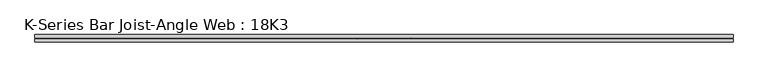
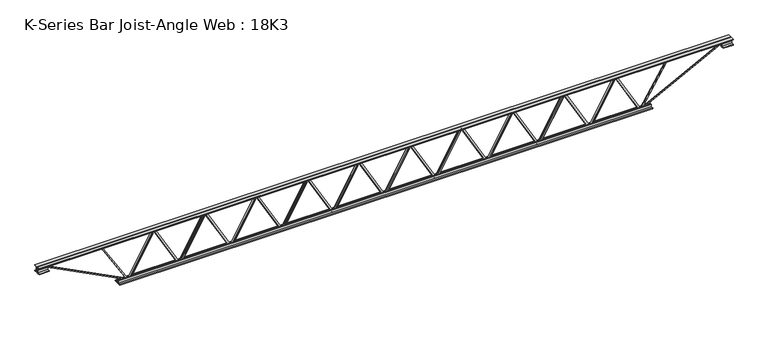
"""IFC4 building model written with IfcOpenShell, lengths in millimetres: beam geometry, K-Series Bar Joist-Angle Web : 18K3."""

from ifc_helpers import new_model, si_unit, frame, origin, place, context, project, spatial, polyline, outline, extrude, faceted_brep, source, transform, mapped, element, save


def k_series_bar_joist_angle_web_18k3_c18dfa82(model_context):
    return source(origin(), model_context, "Body", "SolidModel", [
        extrude(outline(polyline([(-4.7625, 4.7625), (-4.7625, 0.0), (-17.4625, 0.0), (-17.4625, 4.7625), (-4.7625, 4.7625)])), frame((2038.9543107, 0.0, -190.5), z_axis=(-0.49534766984193024, 0.0, 0.8686948175177346), x_axis=(0.0, -1.0, 0.0)), (0.0, 0.0, 1.0), 438.58901),
        extrude(outline(polyline([(-225.425, 2070.7526389), (-206.375, 2070.7526389), (-206.375, 2069.936013), (225.425, 1823.714763), (225.425, 1805.4813889), (206.375, 1805.4813889), (206.375, 1812.6480147), (-225.425, 2058.8692647), (-225.425, 2070.7526389)])), frame((0.0, 0.0, 0.0), z_axis=(0.0, 1.0, 0.0), x_axis=(0.0, 0.0, 1.0)), (0.0, 0.0, 1.0), 4.7625),
        faceted_brep([(1552.9101389, 0.0, -206.375), (1552.9101389, 0.0, -225.425), (1552.9101389, -4.7625, -225.425), (1552.9101389, -4.7625, -206.375), (1553.7267647, 0.0, -206.375), (1799.9480147, 0.0, 225.425), (1818.1813889, 0.0, 225.425), (1818.1813889, 0.0, 206.375), (1811.014763, 0.0, 206.375), (1564.793513, 0.0, -225.425), (1564.793513, -4.7625, -225.425), (1584.7084671, -4.7625, -190.5), (1580.571308, -4.7625, -188.1409067), (1797.8253521, -4.7625, 192.8590933), (1801.9625112, -4.7625, 190.5), (1811.014763, -4.7625, 206.375), (1818.1813889, -4.7625, 206.375), (1818.1813889, -4.7625, 225.425), (1799.9480147, -4.7625, 225.425), (1553.7267647, -4.7625, -206.375), (1801.9625112, -17.4625, 190.5), (1584.7084671, -17.4625, -190.5), (1580.571308, -17.4625, -188.1409067), (1797.8253521, -17.4625, 192.8590933)], [[[0, 1, 2, 3]], [[1, 0, 4, 5, 6, 7, 8, 9]], [[2, 1, 9, 10]], [[3, 2, 10, 11, 12, 13, 14, 15, 16, 17, 18, 19]], [[0, 3, 19, 4]], [[9, 8, 15, 14, 20, 21, 11, 10]], [[5, 4, 19, 18]], [[7, 6, 17, 16]], [[8, 7, 16, 15]], [[6, 5, 18, 17]], [[21, 22, 12, 11]], [[20, 14, 13, 23]], [[22, 21, 20, 23]], [[12, 22, 23, 13]]]),
        extrude(outline(polyline([(-4.7625, 4.7625), (-4.7625, 0.0), (-17.4625, 0.0), (-17.4625, 4.7625), (-4.7625, 4.7625)])), frame((1521.2881996, 0.0, -190.5), z_axis=(-0.49534766984193024, 0.0, 0.8686948175177346), x_axis=(0.0, -1.0, 0.0)), (0.0, 0.0, 1.0), 438.58901),
        extrude(outline(polyline([(-225.425, 1553.0865278), (-206.375, 1553.0865278), (-206.375, 1552.2699019), (225.425, 1306.0486519), (225.425, 1287.8152778), (206.375, 1287.8152778), (206.375, 1294.9819036), (-225.425, 1541.2031536), (-225.425, 1553.0865278)])), frame((0.0, 0.0, 0.0), z_axis=(0.0, 1.0, 0.0), x_axis=(0.0, 0.0, 1.0)), (0.0, 0.0, 1.0), 4.7625),
        faceted_brep([(1035.2440278, 0.0, -206.375), (1035.2440278, 0.0, -225.425), (1035.2440278, -4.7625, -225.425), (1035.2440278, -4.7625, -206.375), (1036.0606536, 0.0, -206.375), (1282.2819036, 0.0, 225.425), (1300.5152778, 0.0, 225.425), (1300.5152778, 0.0, 206.375), (1293.3486519, 0.0, 206.375), (1047.1274019, 0.0, -225.425), (1047.1274019, -4.7625, -225.425), (1067.042356, -4.7625, -190.5), (1062.9051969, -4.7625, -188.1409067), (1280.159241, -4.7625, 192.8590933), (1284.2964001, -4.7625, 190.5), (1293.3486519, -4.7625, 206.375), (1300.5152778, -4.7625, 206.375), (1300.5152778, -4.7625, 225.425), (1282.2819036, -4.7625, 225.425), (1036.0606536, -4.7625, -206.375), (1284.2964001, -17.4625, 190.5), (1067.042356, -17.4625, -190.5), (1062.9051969, -17.4625, -188.1409067), (1280.159241, -17.4625, 192.8590933)], [[[0, 1, 2, 3]], [[1, 0, 4, 5, 6, 7, 8, 9]], [[2, 1, 9, 10]], [[3, 2, 10, 11, 12, 13, 14, 15, 16, 17, 18, 19]], [[0, 3, 19, 4]], [[9, 8, 15, 14, 20, 21, 11, 10]], [[5, 4, 19, 18]], [[7, 6, 17, 16]], [[8, 7, 16, 15]], [[6, 5, 18, 17]], [[21, 22, 12, 11]], [[20, 14, 13, 23]], [[22, 21, 20, 23]], [[12, 22, 23, 13]]]),
        extrude(outline(polyline([(-4.7625, 4.7625), (-4.7625, 0.0), (-17.4625, 0.0), (-17.4625, 4.7625), (-4.7625, 4.7625)])), frame((1003.6220885, 0.0, -190.5), z_axis=(-0.49534766984193024, 0.0, 0.8686948175177346), x_axis=(0.0, -1.0, 0.0)), (0.0, 0.0, 1.0), 438.58901),
        extrude(outline(polyline([(-225.425, 1035.4204167), (-206.375, 1035.4204167), (-206.375, 1034.6037908), (225.425, 788.3825408), (225.425, 770.1491667), (206.375, 770.1491667), (206.375, 777.3157925), (-225.425, 1023.5370425), (-225.425, 1035.4204167)])), frame((0.0, 0.0, 0.0), z_axis=(0.0, 1.0, 0.0), x_axis=(0.0, 0.0, 1.0)), (0.0, 0.0, 1.0), 4.7625),
        faceted_brep([(517.5779167, 0.0, -206.375), (517.5779167, 0.0, -225.425), (517.5779167, -4.7625, -225.425), (517.5779167, -4.7625, -206.375), (518.3945425, 0.0, -206.375), (764.6157925, 0.0, 225.425), (782.8491667, 0.0, 225.425), (782.8491667, 0.0, 206.375), (775.6825408, 0.0, 206.375), (529.4612908, 0.0, -225.425), (529.4612908, -4.7625, -225.425), (549.3762449, -4.7625, -190.5), (545.2390858, -4.7625, -188.1409067), (762.4931299, -4.7625, 192.8590933), (766.630289, -4.7625, 190.5), (775.6825408, -4.7625, 206.375), (782.8491667, -4.7625, 206.375), (782.8491667, -4.7625, 225.425), (764.6157925, -4.7625, 225.425), (518.3945425, -4.7625, -206.375), (766.630289, -17.4625, 190.5), (549.3762449, -17.4625, -190.5), (545.2390858, -17.4625, -188.1409067), (762.4931299, -17.4625, 192.8590933)], [[[0, 1, 2, 3]], [[1, 0, 4, 5, 6, 7, 8, 9]], [[2, 1, 9, 10]], [[3, 2, 10, 11, 12, 13, 14, 15, 16, 17, 18, 19]], [[0, 3, 19, 4]], [[9, 8, 15, 14, 20, 21, 11, 10]], [[5, 4, 19, 18]], [[7, 6, 17, 16]], [[8, 7, 16, 15]], [[6, 5, 18, 17]], [[21, 22, 12, 11]], [[20, 14, 13, 23]], [[22, 21, 20, 23]], [[12, 22, 23, 13]]]),
        extrude(outline(polyline([(-4.7625, 4.7625), (-4.7625, 0.0), (-17.4625, 0.0), (-17.4625, 4.7625), (-4.7625, 4.7625)])), frame((485.9559774, 0.0, -190.5), z_axis=(-0.49534766984193024, 0.0, 0.8686948175177346), x_axis=(0.0, -1.0, 0.0)), (0.0, 0.0, 1.0), 438.58901),
        extrude(outline(polyline([(-225.425, 517.7543056), (-206.375, 517.7543056), (-206.375, 516.9376797), (225.425, 270.7164297), (225.425, 252.4830556), (206.375, 252.4830556), (206.375, 259.6496814), (-225.425, 505.8709314), (-225.425, 517.7543056)])), frame((0.0, 0.0, 0.0), z_axis=(0.0, 1.0, 0.0), x_axis=(0.0, 0.0, 1.0)), (0.0, 0.0, 1.0), 4.7625),
        faceted_brep([(-0.0881944, 0.0, -206.375), (-0.0881944, 0.0, -225.425), (-0.0881944, -4.7625, -225.425), (-0.0881944, -4.7625, -206.375), (0.7284314, 0.0, -206.375), (246.9496814, 0.0, 225.425), (265.1830556, 0.0, 225.425), (265.1830556, 0.0, 206.375), (258.0164297, 0.0, 206.375), (11.7951797, 0.0, -225.425), (11.7951797, -4.7625, -225.425), (31.7101337, -4.7625, -190.5), (27.5729747, -4.7625, -188.1409067), (244.8270188, -4.7625, 192.8590933), (248.9641779, -4.7625, 190.5), (258.0164297, -4.7625, 206.375), (265.1830556, -4.7625, 206.375), (265.1830556, -4.7625, 225.425), (246.9496814, -4.7625, 225.425), (0.7284314, -4.7625, -206.375), (248.9641779, -17.4625, 190.5), (31.7101337, -17.4625, -190.5), (27.5729747, -17.4625, -188.1409067), (244.8270188, -17.4625, 192.8590933)], [[[0, 1, 2, 3]], [[1, 0, 4, 5, 6, 7, 8, 9]], [[2, 1, 9, 10]], [[3, 2, 10, 11, 12, 13, 14, 15, 16, 17, 18, 19]], [[0, 3, 19, 4]], [[9, 8, 15, 14, 20, 21, 11, 10]], [[5, 4, 19, 18]], [[7, 6, 17, 16]], [[8, 7, 16, 15]], [[6, 5, 18, 17]], [[21, 22, 12, 11]], [[20, 14, 13, 23]], [[22, 21, 20, 23]], [[12, 22, 23, 13]]]),
        extrude(outline(polyline([(-4.7625, 4.7625), (-4.7625, 0.0), (-17.4625, 0.0), (-17.4625, 4.7625), (-4.7625, 4.7625)])), frame((-31.7101337, 0.0, -190.5), z_axis=(-0.49534766984193024, 0.0, 0.8686948175177346), x_axis=(0.0, -1.0, 0.0)), (0.0, 0.0, 1.0), 438.58901),
        extrude(outline(polyline([(-225.425, 0.0881944), (-206.375, 0.0881944), (-206.375, -0.7284314), (225.425, -246.9496814), (225.425, -265.1830556), (206.375, -265.1830556), (206.375, -258.0164297), (-225.425, -11.7951797), (-225.425, 0.0881944)])), frame((0.0, 0.0, 0.0), z_axis=(0.0, 1.0, 0.0), x_axis=(0.0, 0.0, 1.0)), (0.0, 0.0, 1.0), 4.7625),
        faceted_brep([(-517.7543056, 0.0, -206.375), (-517.7543056, 0.0, -225.425), (-517.7543056, -4.7625, -225.425), (-517.7543056, -4.7625, -206.375), (-516.9376797, 0.0, -206.375), (-270.7164297, 0.0, 225.425), (-252.4830556, 0.0, 225.425), (-252.4830556, 0.0, 206.375), (-259.6496814, 0.0, 206.375), (-505.8709314, 0.0, -225.425), (-505.8709314, -4.7625, -225.425), (-485.9559774, -4.7625, -190.5), (-490.0931364, -4.7625, -188.1409067), (-272.8390923, -4.7625, 192.8590933), (-268.7019332, -4.7625, 190.5), (-259.6496814, -4.7625, 206.375), (-252.4830556, -4.7625, 206.375), (-252.4830556, -4.7625, 225.425), (-270.7164297, -4.7625, 225.425), (-516.9376797, -4.7625, -206.375), (-268.7019332, -17.4625, 190.5), (-485.9559774, -17.4625, -190.5), (-490.0931364, -17.4625, -188.1409067), (-272.8390923, -17.4625, 192.8590933)], [[[0, 1, 2, 3]], [[1, 0, 4, 5, 6, 7, 8, 9]], [[2, 1, 9, 10]], [[3, 2, 10, 11, 12, 13, 14, 15, 16, 17, 18, 19]], [[0, 3, 19, 4]], [[9, 8, 15, 14, 20, 21, 11, 10]], [[5, 4, 19, 18]], [[7, 6, 17, 16]], [[8, 7, 16, 15]], [[6, 5, 18, 17]], [[21, 22, 12, 11]], [[20, 14, 13, 23]], [[22, 21, 20, 23]], [[12, 22, 23, 13]]]),
        extrude(outline(polyline([(-4.7625, 4.7625), (-4.7625, 0.0), (-17.4625, 0.0), (-17.4625, 4.7625), (-4.7625, 4.7625)])), frame((-549.3762449, 0.0, -190.5), z_axis=(-0.49534766984193024, 0.0, 0.8686948175177346), x_axis=(0.0, -1.0, 0.0)), (0.0, 0.0, 1.0), 438.58901),
        extrude(outline(polyline([(-225.425, -517.5779167), (-206.375, -517.5779167), (-206.375, -518.3945425), (225.425, -764.6157925), (225.425, -782.8491667), (206.375, -782.8491667), (206.375, -775.6825408), (-225.425, -529.4612908), (-225.425, -517.5779167)])), frame((0.0, 0.0, 0.0), z_axis=(0.0, 1.0, 0.0), x_axis=(0.0, 0.0, 1.0)), (0.0, 0.0, 1.0), 4.7625),
        faceted_brep([(-1035.4204167, 0.0, -206.375), (-1035.4204167, 0.0, -225.425), (-1035.4204167, -4.7625, -225.425), (-1035.4204167, -4.7625, -206.375), (-1034.6037908, 0.0, -206.375), (-788.3825408, 0.0, 225.425), (-770.1491667, 0.0, 225.425), (-770.1491667, 0.0, 206.375), (-777.3157925, 0.0, 206.375), (-1023.5370425, 0.0, -225.425), (-1023.5370425, -4.7625, -225.425), (-1003.6220885, -4.7625, -190.5), (-1007.7592475, -4.7625, -188.1409067), (-790.5052034, -4.7625, 192.8590933), (-786.3680444, -4.7625, 190.5), (-777.3157925, -4.7625, 206.375), (-770.1491667, -4.7625, 206.375), (-770.1491667, -4.7625, 225.425), (-788.3825408, -4.7625, 225.425), (-1034.6037908, -4.7625, -206.375), (-786.3680444, -17.4625, 190.5), (-1003.6220885, -17.4625, -190.5), (-1007.7592475, -17.4625, -188.1409067), (-790.5052034, -17.4625, 192.8590933)], [[[0, 1, 2, 3]], [[1, 0, 4, 5, 6, 7, 8, 9]], [[2, 1, 9, 10]], [[3, 2, 10, 11, 12, 13, 14, 15, 16, 17, 18, 19]], [[0, 3, 19, 4]], [[9, 8, 15, 14, 20, 21, 11, 10]], [[5, 4, 19, 18]], [[7, 6, 17, 16]], [[8, 7, 16, 15]], [[6, 5, 18, 17]], [[21, 22, 12, 11]], [[20, 14, 13, 23]], [[22, 21, 20, 23]], [[12, 22, 23, 13]]]),
        extrude(outline(polyline([(-4.7625, 4.7625), (-4.7625, 0.0), (-17.4625, 0.0), (-17.4625, 4.7625), (-4.7625, 4.7625)])), frame((-1067.042356, 0.0, -190.5), z_axis=(-0.49534766984193024, 0.0, 0.8686948175177346), x_axis=(0.0, -1.0, 0.0)), (0.0, 0.0, 1.0), 438.58901),
        extrude(outline(polyline([(-225.425, -1035.2440278), (-206.375, -1035.2440278), (-206.375, -1036.0606536), (225.425, -1282.2819036), (225.425, -1300.5152778), (206.375, -1300.5152778), (206.375, -1293.3486519), (-225.425, -1047.1274019), (-225.425, -1035.2440278)])), frame((0.0, 0.0, 0.0), z_axis=(0.0, 1.0, 0.0), x_axis=(0.0, 0.0, 1.0)), (0.0, 0.0, 1.0), 4.7625),
        faceted_brep([(-1553.0865278, 0.0, -206.375), (-1553.0865278, 0.0, -225.425), (-1553.0865278, -4.7625, -225.425), (-1553.0865278, -4.7625, -206.375), (-1552.2699019, 0.0, -206.375), (-1306.0486519, 0.0, 225.425), (-1287.8152778, 0.0, 225.425), (-1287.8152778, 0.0, 206.375), (-1294.9819036, 0.0, 206.375), (-1541.2031536, 0.0, -225.425), (-1541.2031536, -4.7625, -225.425), (-1521.2881996, -4.7625, -190.5), (-1525.4253587, -4.7625, -188.1409067), (-1308.1713145, -4.7625, 192.8590933), (-1304.0341555, -4.7625, 190.5), (-1294.9819036, -4.7625, 206.375), (-1287.8152778, -4.7625, 206.375), (-1287.8152778, -4.7625, 225.425), (-1306.0486519, -4.7625, 225.425), (-1552.2699019, -4.7625, -206.375), (-1304.0341555, -17.4625, 190.5), (-1521.2881996, -17.4625, -190.5), (-1525.4253587, -17.4625, -188.1409067), (-1308.1713145, -17.4625, 192.8590933)], [[[0, 1, 2, 3]], [[1, 0, 4, 5, 6, 7, 8, 9]], [[2, 1, 9, 10]], [[3, 2, 10, 11, 12, 13, 14, 15, 16, 17, 18, 19]], [[0, 3, 19, 4]], [[9, 8, 15, 14, 20, 21, 11, 10]], [[5, 4, 19, 18]], [[7, 6, 17, 16]], [[8, 7, 16, 15]], [[6, 5, 18, 17]], [[21, 22, 12, 11]], [[20, 14, 13, 23]], [[22, 21, 20, 23]], [[12, 22, 23, 13]]]),
        extrude(outline(polyline([(-4.7625, 4.7625), (-4.7625, 0.0), (-17.4625, 0.0), (-17.4625, 4.7625), (-4.7625, 4.7625)])), frame((-1584.7084671, 0.0, -190.5), z_axis=(-0.49534766984193024, 0.0, 0.8686948175177346), x_axis=(0.0, -1.0, 0.0)), (0.0, 0.0, 1.0), 438.58901),
        extrude(outline(polyline([(-225.425, -1552.9101389), (-206.375, -1552.9101389), (-206.375, -1553.7267647), (225.425, -1799.9480147), (225.425, -1818.1813889), (206.375, -1818.1813889), (206.375, -1811.014763), (-225.425, -1564.793513), (-225.425, -1552.9101389)])), frame((0.0, 0.0, 0.0), z_axis=(0.0, 1.0, 0.0), x_axis=(0.0, 0.0, 1.0)), (0.0, 0.0, 1.0), 4.7625),
        faceted_brep([(-2070.7526389, 0.0, -206.375), (-2070.7526389, 0.0, -225.425), (-2070.7526389, -4.7625, -225.425), (-2070.7526389, -4.7625, -206.375), (-2069.936013, 0.0, -206.375), (-1823.714763, 0.0, 225.425), (-1805.4813889, 0.0, 225.425), (-1805.4813889, 0.0, 206.375), (-1812.6480147, 0.0, 206.375), (-2058.8692647, 0.0, -225.425), (-2058.8692647, -4.7625, -225.425), (-2038.9543107, -4.7625, -190.5), (-2043.0914698, -4.7625, -188.1409067), (-1825.8374256, -4.7625, 192.8590933), (-1821.7002666, -4.7625, 190.5), (-1812.6480147, -4.7625, 206.375), (-1805.4813889, -4.7625, 206.375), (-1805.4813889, -4.7625, 225.425), (-1823.714763, -4.7625, 225.425), (-2069.936013, -4.7625, -206.375), (-1821.7002666, -17.4625, 190.5), (-2038.9543107, -17.4625, -190.5), (-2043.0914698, -17.4625, -188.1409067), (-1825.8374256, -17.4625, 192.8590933)], [[[0, 1, 2, 3]], [[1, 0, 4, 5, 6, 7, 8, 9]], [[2, 1, 9, 10]], [[3, 2, 10, 11, 12, 13, 14, 15, 16, 17, 18, 19]], [[0, 3, 19, 4]], [[9, 8, 15, 14, 20, 21, 11, 10]], [[5, 4, 19, 18]], [[7, 6, 17, 16]], [[8, 7, 16, 15]], [[6, 5, 18, 17]], [[21, 22, 12, 11]], [[20, 14, 13, 23]], [[22, 21, 20, 23]], [[12, 22, 23, 13]]]),
        extrude(outline(polyline([(-4.7625, 4.7625), (-4.7625, 0.0), (-17.4625, 0.0), (-17.4625, 4.7625), (-4.7625, 4.7625)])), frame((2556.6204218, 0.0, -190.5), z_axis=(-0.49534766984193024, 0.0, 0.8686948175177346), x_axis=(0.0, -1.0, 0.0)), (0.0, 0.0, 1.0), 438.58901),
        extrude(outline(polyline([(-225.425, 2588.41875), (-206.375, 2588.41875), (-206.375, 2587.6021241), (225.425, 2341.3808741), (225.425, 2323.1475), (206.375, 2323.1475), (206.375, 2330.3141259), (-225.425, 2576.5353759), (-225.425, 2588.41875)])), frame((0.0, 0.0, 0.0), z_axis=(0.0, 1.0, 0.0), x_axis=(0.0, 0.0, 1.0)), (0.0, 0.0, 1.0), 4.7625),
        faceted_brep([(2070.57625, 0.0, -206.375), (2070.57625, 0.0, -225.425), (2070.57625, -4.7625, -225.425), (2070.57625, -4.7625, -206.375), (2071.3928759, 0.0, -206.375), (2317.6141259, 0.0, 225.425), (2335.8475, 0.0, 225.425), (2335.8475, 0.0, 206.375), (2328.6808741, 0.0, 206.375), (2082.4596241, 0.0, -225.425), (2082.4596241, -4.7625, -225.425), (2102.3745782, -4.7625, -190.5), (2098.2374191, -4.7625, -188.1409067), (2315.4914632, -4.7625, 192.8590933), (2319.6286223, -4.7625, 190.5), (2328.6808741, -4.7625, 206.375), (2335.8475, -4.7625, 206.375), (2335.8475, -4.7625, 225.425), (2317.6141259, -4.7625, 225.425), (2071.3928759, -4.7625, -206.375), (2319.6286223, -17.4625, 190.5), (2102.3745782, -17.4625, -190.5), (2098.2374191, -17.4625, -188.1409067), (2315.4914632, -17.4625, 192.8590933)], [[[0, 1, 2, 3]], [[1, 0, 4, 5, 6, 7, 8, 9]], [[2, 1, 9, 10]], [[3, 2, 10, 11, 12, 13, 14, 15, 16, 17, 18, 19]], [[0, 3, 19, 4]], [[9, 8, 15, 14, 20, 21, 11, 10]], [[5, 4, 19, 18]], [[7, 6, 17, 16]], [[8, 7, 16, 15]], [[6, 5, 18, 17]], [[21, 22, 12, 11]], [[20, 14, 13, 23]], [[22, 21, 20, 23]], [[12, 22, 23, 13]]]),
        extrude(outline(polyline([(-4.7625, 4.7625), (-4.7625, 0.0), (-17.4625, 0.0), (-17.4625, 4.7625), (-4.7625, 4.7625)])), frame((-2102.3745782, 0.0, -190.5), z_axis=(-0.49534766984193024, 0.0, 0.8686948175177346), x_axis=(0.0, -1.0, 0.0)), (0.0, 0.0, 1.0), 438.58901),
        extrude(outline(polyline([(-225.425, -2070.57625), (-206.375, -2070.57625), (-206.375, -2071.3928759), (225.425, -2317.6141259), (225.425, -2335.8475), (206.375, -2335.8475), (206.375, -2328.6808741), (-225.425, -2082.4596241), (-225.425, -2070.57625)])), frame((0.0, 0.0, 0.0), z_axis=(0.0, 1.0, 0.0), x_axis=(0.0, 0.0, 1.0)), (0.0, 0.0, 1.0), 4.7625),
        faceted_brep([(-2588.41875, 0.0, -206.375), (-2588.41875, 0.0, -225.425), (-2588.41875, -4.7625, -225.425), (-2588.41875, -4.7625, -206.375), (-2587.6021241, 0.0, -206.375), (-2341.3808741, 0.0, 225.425), (-2323.1475, 0.0, 225.425), (-2323.1475, 0.0, 206.375), (-2330.3141259, 0.0, 206.375), (-2576.5353759, 0.0, -225.425), (-2576.5353759, -4.7625, -225.425), (-2556.6204218, -4.7625, -190.5), (-2560.7575809, -4.7625, -188.1409067), (-2343.5035368, -4.7625, 192.8590933), (-2339.3663777, -4.7625, 190.5), (-2330.3141259, -4.7625, 206.375), (-2323.1475, -4.7625, 206.375), (-2323.1475, -4.7625, 225.425), (-2341.3808741, -4.7625, 225.425), (-2587.6021241, -4.7625, -206.375), (-2339.3663777, -17.4625, 190.5), (-2556.6204218, -17.4625, -190.5), (-2560.7575809, -17.4625, -188.1409067), (-2343.5035368, -17.4625, 192.8590933)], [[[0, 1, 2, 3]], [[1, 0, 4, 5, 6, 7, 8, 9]], [[2, 1, 9, 10]], [[3, 2, 10, 11, 12, 13, 14, 15, 16, 17, 18, 19]], [[0, 3, 19, 4]], [[9, 8, 15, 14, 20, 21, 11, 10]], [[5, 4, 19, 18]], [[7, 6, 17, 16]], [[8, 7, 16, 15]], [[6, 5, 18, 17]], [[21, 22, 12, 11]], [[20, 14, 13, 23]], [[22, 21, 20, 23]], [[12, 22, 23, 13]]]),
        extrude(outline(polyline([(4.7625, 228.6), (36.5125, 228.6), (36.5125, 222.25), (11.1125, 222.25), (11.1125, 196.85), (4.7625, 196.85), (4.7625, 228.6)])), frame((-3502.81875, 0.0, 0.0), z_axis=(1.0, 0.0, 0.0), x_axis=(0.0, 1.0, 0.0)), (0.0, 0.0, 1.0), 7005.6375),
        extrude(outline(polyline([(-4.7625, 228.6), (-4.7625, 196.85), (-11.1125, 196.85), (-11.1125, 222.25), (-36.5125, 222.25), (-36.5125, 228.6), (-4.7625, 228.6)])), frame((-3502.81875, 0.0, 0.0), z_axis=(1.0, 0.0, 0.0), x_axis=(0.0, 1.0, 0.0)), (0.0, 0.0, 1.0), 7005.6375),
        extrude(outline(polyline([(-4.7625, 165.1), (-36.5125, 165.1), (-36.5125, 171.45), (-11.1125, 171.45), (-11.1125, 196.85), (-4.7625, 196.85), (-4.7625, 165.1)])), frame((-3502.81875, 0.0, 0.0), z_axis=(1.0, 0.0, 0.0), x_axis=(0.0, 1.0, 0.0)), (0.0, 0.0, 1.0), 101.6),
        extrude(outline(polyline([(36.5125, 165.1), (4.7625, 165.1), (4.7625, 196.85), (11.1125, 196.85), (11.1125, 171.45), (36.5125, 171.45), (36.5125, 165.1)])), frame((-3502.81875, 0.0, 0.0), z_axis=(1.0, 0.0, 0.0), x_axis=(0.0, 1.0, 0.0)), (0.0, 0.0, 1.0), 101.6),
        extrude(outline(polyline([(4.7625, 165.1), (4.7625, 196.85), (11.1125, 196.85), (11.1125, 171.45), (36.5125, 171.45), (36.5125, 165.1), (4.7625, 165.1)])), frame((3401.21875, 0.0, 0.0), z_axis=(1.0, 0.0, 0.0), x_axis=(0.0, 1.0, 0.0)), (0.0, 0.0, 1.0), 101.6),
        extrude(outline(polyline([(-4.7625, 165.1), (-36.5125, 165.1), (-36.5125, 171.45), (-11.1125, 171.45), (-11.1125, 196.85), (-4.7625, 196.85), (-4.7625, 165.1)])), frame((3401.21875, 0.0, 0.0), z_axis=(1.0, 0.0, 0.0), x_axis=(0.0, 1.0, 0.0)), (0.0, 0.0, 1.0), 101.6),
        extrude(outline(polyline([(4.7625, -228.6), (4.7625, -196.85), (11.1125, -196.85), (11.1125, -222.25), (36.5125, -222.25), (36.5125, -228.6), (4.7625, -228.6)])), frame((-2690.01875, 0.0, 0.0), z_axis=(1.0, 0.0, 0.0), x_axis=(0.0, 1.0, 0.0)), (0.0, 0.0, 1.0), 5380.0375),
        extrude(outline(polyline([(-4.7625, -228.6), (-36.5125, -228.6), (-36.5125, -222.25), (-11.1125, -222.25), (-11.1125, -196.85), (-4.7625, -196.85), (-4.7625, -228.6)])), frame((-2690.01875, 0.0, 0.0), z_axis=(1.0, 0.0, 0.0), x_axis=(0.0, 1.0, 0.0)), (0.0, 0.0, 1.0), 5380.0375),
        extrude(outline(polyline([(4.7625, 4.7625), (4.7625, -4.7625), (-4.7625, -4.7625), (-4.7625, 4.7625), (4.7625, 4.7625)])), frame((2588.41875, 0.0, -222.25), z_axis=(0.5255889266909579, 0.0, 0.8507386673590468), x_axis=(0.0, -1.0, 0.0)), (0.0, 0.0, 1.0), 492.6307174),
        extrude(outline(polyline([(4.7625, 4.7625), (4.7625, -4.7625), (-4.7625, -4.7625), (-4.7625, 4.7625), (4.7625, 4.7625)])), frame((-2588.41875, 0.0, -222.25), z_axis=(-0.5255889266909313, 0.0, 0.8507386673590633), x_axis=(0.0, -1.0, 0.0)), (0.0, 0.0, 1.0), 492.6307174),
        extrude(outline(polyline([(0.0, -9.525), (0.0, 0.0), (914.4881902, 0.0), (914.4881902, -9.525), (0.0, -9.525)])), frame((3403.401352, -4.7625, 192.6170749), z_axis=(-0.4582891331946218, 0.0, 0.8888031674086915), x_axis=(-0.8888031674086915, 0.0, -0.4582891331946218)), (0.0, 0.0, 1.0), 9.525),
        extrude(outline(polyline([(0.0, -9.525), (0.0, 0.0), (914.4881902, 0.0), (914.4881902, -9.525), (0.0, -9.525)])), frame((-3403.401352, 4.7625, 192.6170749), z_axis=(0.4582891331946199, 0.0, 0.8888031674086924), x_axis=(0.8888031674086924, 0.0, -0.4582891331946199)), (0.0, 0.0, 1.0), 9.525),
    ])


if __name__ == "__main__":
    model = new_model("IFC4")
    model_context = context("Model", 3, world=origin())
    ifc_project = project(units=[si_unit("LENGTHUNIT", "METRE", prefix="MILLI")], contexts=[model_context])
    site = spatial("IfcSite", under=ifc_project)
    building = spatial("IfcBuilding", under=site)
    placement = place(None, origin())
    k_series_bar_joist_angle_web_18k3_shape = k_series_bar_joist_angle_web_18k3_c18dfa82(model_context)
    element("IfcBeam", 1, ObjectType="K-Series Bar Joist-Angle Web : 18K3", at=placement, inside=building, context=model_context, shape_type="MappedRepresentation", body=[
        mapped(k_series_bar_joist_angle_web_18k3_shape, transform((0.0, 0.0, 0.0), x_axis=(1.0, 0.0, 0.0), y_axis=(0.0, 1.0, 0.0), z_axis=(0.0, 0.0, 1.0))),
    ])
    save(model, "model.ifc")
